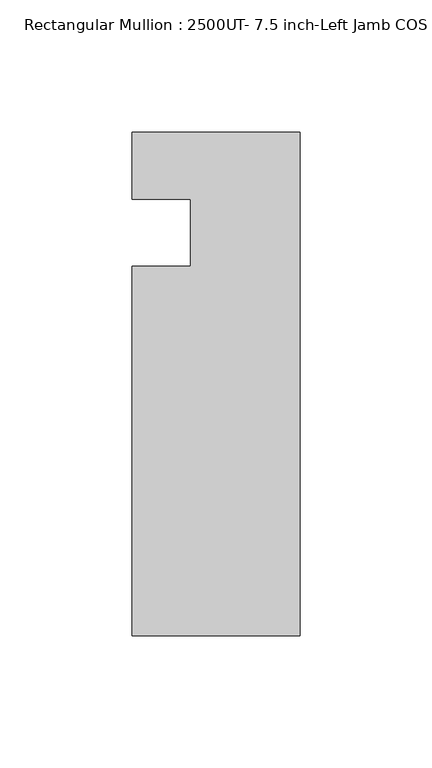
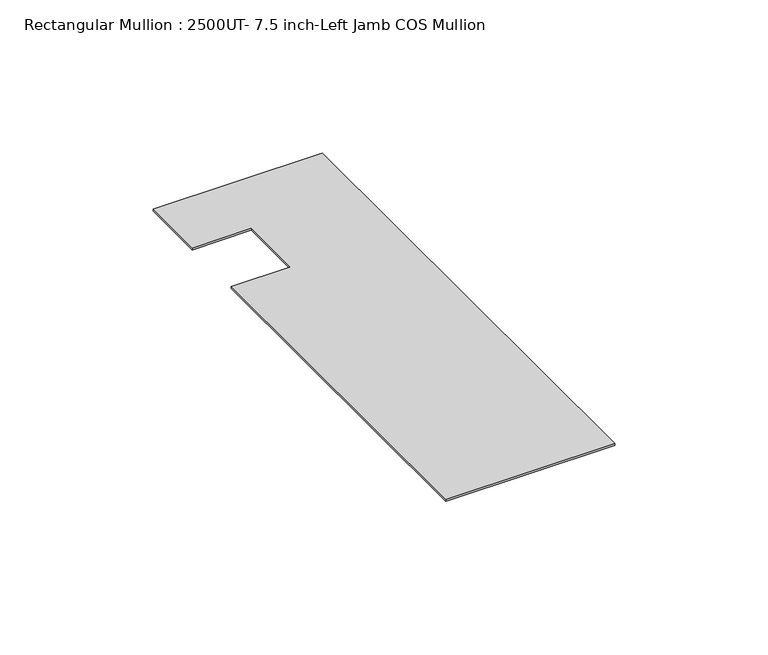
"""IFC4 building model written with IfcOpenShell, lengths in millimetres: member geometry, Rectangular Mullion : 2500UT- 7.5 inch-Left Jamb COS Mullion."""

from ifc_helpers import new_model, si_unit, frame, origin, place, context, project, spatial, polyline, outline, extrude, source, transform, mapped, element, save


def rectangular_mullion_2500ut_7_5_inch_left_jamb_cos_mullion_3c0735f4(model_context):
    return source(origin(), model_context, "Body", "SweptSolid", [
        extrude(outline(polyline([(31.75, -152.399995), (-31.75, -152.399995), (-31.75, -12.7), (-9.525, -12.7), (-9.525, 12.7309282), (-31.75, 12.7309282), (-31.75, 38.1), (31.75, 38.1), (31.75, -152.399995)])), frame((0.0, 0.0, -0.7941147), z_axis=(0.0, 0.0, 1.0), x_axis=(1.0, 0.0, 0.0)), (0.0, 0.0, 1.0), 0.7941147),
    ])


if __name__ == "__main__":
    model = new_model("IFC4")
    model_context = context("Model", 3, world=origin())
    ifc_project = project(units=[si_unit("LENGTHUNIT", "METRE", prefix="MILLI")], contexts=[model_context])
    site = spatial("IfcSite", under=ifc_project)
    building = spatial("IfcBuilding", under=site)
    placement = place(None, origin())
    rectangular_mullion_2500ut_7_5_inch_left_jamb_cos_mullion_shape = rectangular_mullion_2500ut_7_5_inch_left_jamb_cos_mullion_3c0735f4(model_context)
    element("IfcMember", 1, ObjectType="Rectangular Mullion : 2500UT- 7.5 inch-Left Jamb COS Mullion", at=placement, inside=building, context=model_context, shape_type="MappedRepresentation", body=[
        mapped(rectangular_mullion_2500ut_7_5_inch_left_jamb_cos_mullion_shape, transform((0.0, 0.0, 0.0), x_axis=(1.0, 0.0, 0.0), y_axis=(0.0, 1.0, 0.0), z_axis=(0.0, 0.0, 1.0))),
    ])
    save(model, "model.ifc")
